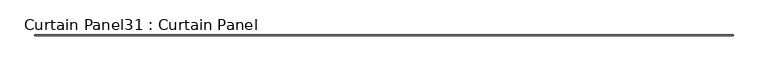
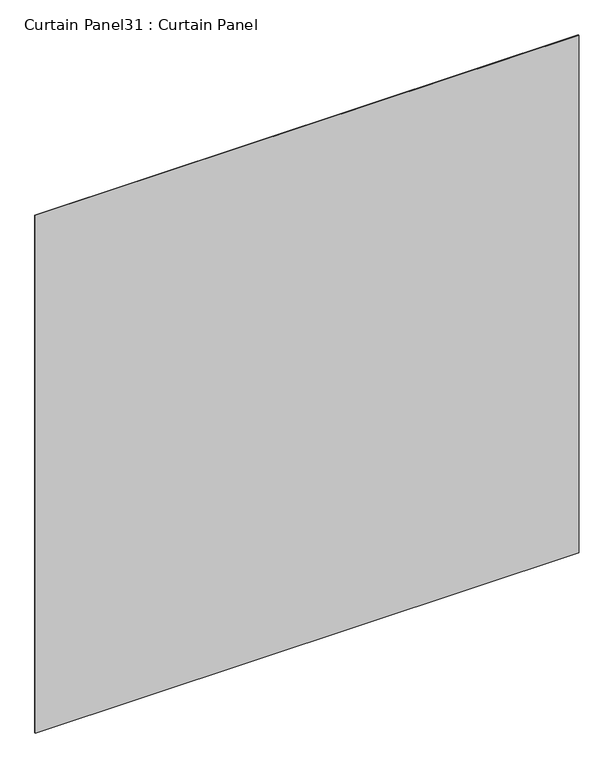
"""IFC4 building model written with IfcOpenShell, lengths in millimetres: plate geometry, Curtain Panel31 : Curtain Panel."""

from ifc_helpers import new_model, si_unit, frame, origin, place, context, project, spatial, polyline, outline, extrude, source, transform, mapped, element, save


def curtain_panel31_curtain_panel_d0e9856d(model_context):
    return source(origin(), model_context, "Body", "SweptSolid", [
        extrude(outline(polyline([(427808.4315929, 2929.380008), (421807.6815929, 2929.380008), (421807.6815929, 2935.730008), (427808.4315929, 2935.730008), (427808.4315929, 2929.380008)])), frame((0.0, 0.0, 3211.9795414), z_axis=(0.0, 0.0, 1.0), x_axis=(1.0, 0.0, 0.0)), (0.0, 0.0, 1.0), 6038.6595),
    ])


if __name__ == "__main__":
    model = new_model("IFC4")
    model_context = context("Model", 3, world=origin())
    ifc_project = project(units=[si_unit("LENGTHUNIT", "METRE", prefix="MILLI")], contexts=[model_context])
    site = spatial("IfcSite", under=ifc_project)
    building = spatial("IfcBuilding", under=site)
    placement = place(None, origin())
    curtain_panel31_curtain_panel_shape = curtain_panel31_curtain_panel_d0e9856d(model_context)
    element("IfcPlate", 1, ObjectType="Curtain Panel31 : Curtain Panel", at=placement, inside=building, context=model_context, shape_type="MappedRepresentation", body=[
        mapped(curtain_panel31_curtain_panel_shape, transform((0.0, 0.0, 0.0), x_axis=(1.0, 0.0, 0.0), y_axis=(0.0, 1.0, 0.0), z_axis=(0.0, 0.0, 1.0))),
    ])
    save(model, "model.ifc")
